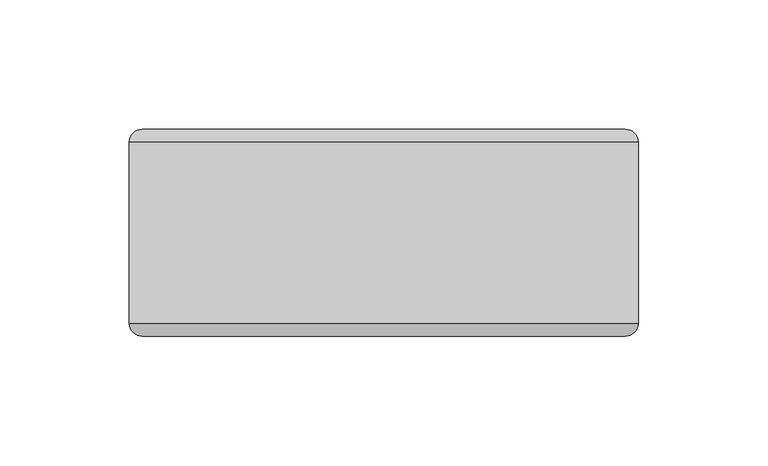
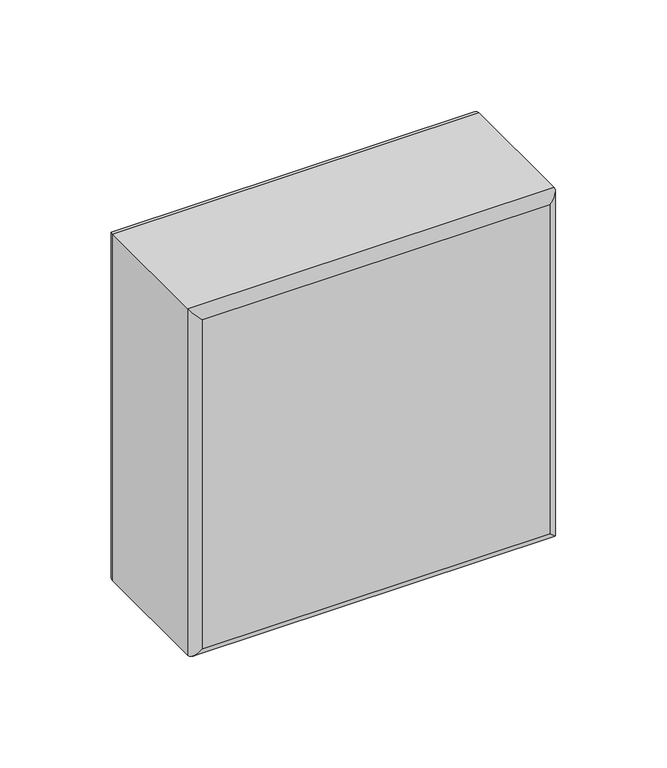
"""IFC4 building model written with IfcOpenShell, lengths in millimetres: plate geometry."""

from ifc_helpers import new_model, si_unit, frame, origin, place, context, project, spatial, ellipse_curve, source, transform, mapped, element, save
from ifc_brep_helpers import plane_surface, cylinder_surface, advanced_brep


def plate_b3e9bec1(model_context):
    return source(origin(), model_context, "Body", "AdvancedBrep", [
        advanced_brep(
        [(-98.4250002, -35.0, 197.0), (98.5749998, -35.0, 197.0), (98.5749998, 35.0, 197.0), (-98.4250002, 35.0, 197.0), (98.5749998, -35.0, 0.0), (-98.4250002, -35.0, 0.0), (-98.4250002, 35.0, 0.0), (98.5749998, 35.0, 0.0), (-93.4250002, -40.0, 5.0), (93.5749998, -40.0, 5.0), (93.5749998, -40.0, 192.0), (-93.4250002, -40.0, 192.0), (93.5749998, 40.0, 5.0), (-93.4250002, 40.0, 5.0), (-93.4250002, 40.0, 192.0), (93.5749998, 40.0, 192.0)],
        [
            (0, 1),
            (1, 2),
            (2, 3),
            (3, 0),
            (4, 5),
            (5, 6),
            (6, 7),
            (7, 4),
            (8, 9),
            (9, 10),
            (10, 11),
            (11, 8),
            (1, 4),
            (7, 2),
            (12, 13),
            (13, 14),
            (14, 15),
            (15, 12),
            (5, 0),
            (3, 6),
            (4, 9, ellipse_curve(frame((93.5749998, -35.0, 5.0), z_axis=(-0.7071067811865475, 0.0, -0.7071067811865475), x_axis=(0.7071067811865476, 0.0, -0.7071067811865474)), 7.0710678, 5.0)),
            (8, 5, ellipse_curve(frame((-93.4250002, -35.0, 5.0), z_axis=(0.7071067811865475, 0.0, -0.7071067811865475), x_axis=(0.7071067811865476, 0.0, 0.7071067811865474)), 7.0710678, 5.0)),
            (1, 10, ellipse_curve(frame((93.5749998, -35.0, 192.0), z_axis=(0.7071067811865475, 0.0, -0.7071067811865475), x_axis=(0.7071067811865474, 0.0, 0.7071067811865476)), 7.0710678, 5.0)),
            (0, 11, ellipse_curve(frame((-93.4250002, -35.0, 192.0), z_axis=(0.7071067811865475, 0.0, 0.7071067811865475), x_axis=(-0.7071067811865476, 0.0, 0.7071067811865474)), 7.0710678, 5.0)),
            (12, 7, ellipse_curve(frame((93.5749998, 35.0, 5.0), z_axis=(-0.7071067811865475, 0.0, -0.7071067811865475), x_axis=(0.7071067811865476, 0.0, -0.7071067811865474)), 7.0710678, 5.0)),
            (6, 13, ellipse_curve(frame((-93.4250002, 35.0, 5.0), z_axis=(0.7071067811865475, 0.0, -0.7071067811865475), x_axis=(0.7071067811865476, 0.0, 0.7071067811865474)), 7.0710678, 5.0)),
            (15, 2, ellipse_curve(frame((93.5749998, 35.0, 192.0), z_axis=(0.7071067811865475, 0.0, -0.7071067811865475), x_axis=(0.7071067811865474, 0.0, 0.7071067811865476)), 7.0710678, 5.0)),
            (14, 3, ellipse_curve(frame((-93.4250002, 35.0, 192.0), z_axis=(0.7071067811865475, 0.0, 0.7071067811865475), x_axis=(-0.7071067811865476, 0.0, 0.7071067811865474)), 7.0710678, 5.0)),
        ],
        [
            plane_surface(frame((-98.4250002, -40.0, 197.0), z_axis=(0.0, 0.0, 1.0), x_axis=(1.0, 0.0, 0.0))),
            plane_surface(frame((-98.4250002, -40.0, 0.0), z_axis=(0.0, 0.0, -1.0), x_axis=(-1.0, 0.0, 0.0))),
            plane_surface(frame((-98.4250002, -40.0, 197.0), z_axis=(0.0, -1.0, 0.0), x_axis=(0.0, 0.0, -1.0))),
            plane_surface(frame((98.5749998, -40.0, 197.0), z_axis=(1.0, 0.0, 0.0), x_axis=(0.0, 0.0, -1.0))),
            plane_surface(frame((98.5749998, 40.0, 197.0), z_axis=(0.0, 1.0, 0.0), x_axis=(0.0, 0.0, -1.0))),
            plane_surface(frame((-98.4250002, 40.0, 197.0), z_axis=(-1.0, 0.0, 0.0), x_axis=(0.0, 0.0, -1.0))),
            cylinder_surface(frame((-98.4250002, -35.0, 5.0), z_axis=(1.0, 0.0, 0.0), x_axis=(0.0, 0.0, -1.0)), 5.0),
            cylinder_surface(frame((93.5749998, -35.0, 0.0), z_axis=(0.0, 0.0, 1.0), x_axis=(1.0, 0.0, 0.0)), 5.0),
            cylinder_surface(frame((98.5749998, -35.0, 192.0), z_axis=(-1.0, 0.0, 0.0), x_axis=(0.0, 0.0, 1.0)), 5.0),
            cylinder_surface(frame((-93.4250002, -35.0, 197.0), z_axis=(0.0, 0.0, -1.0), x_axis=(-1.0, 0.0, 0.0)), 5.0),
            cylinder_surface(frame((-98.4250002, 35.0, 5.0), z_axis=(1.0, 0.0, 0.0), x_axis=(0.0, 0.0, -1.0)), 5.0),
            cylinder_surface(frame((93.5749998, 35.0, 0.0), z_axis=(0.0, 0.0, 1.0), x_axis=(1.0, 0.0, 0.0)), 5.0),
            cylinder_surface(frame((98.5749998, 35.0, 192.0), z_axis=(-1.0, 0.0, 0.0), x_axis=(0.0, 0.0, 1.0)), 5.0),
            cylinder_surface(frame((-93.4250002, 35.0, 197.0), z_axis=(0.0, 0.0, -1.0), x_axis=(-1.0, 0.0, 0.0)), 5.0),
        ],
        [
            (0, [[1, 2, 3, 4]]),
            (1, [[5, 6, 7, 8]]),
            (2, [[9, 10, 11, 12]]),
            (3, [[13, -8, 14, -2]]),
            (4, [[15, 16, 17, 18]]),
            (5, [[19, -4, 20, -6]]),
            (6, [[21, -9, 22, -5]]),
            (7, [[-21, -13, 23, -10]]),
            (8, [[-23, -1, 24, -11]]),
            (9, [[-22, -12, -24, -19]]),
            (10, [[25, -7, 26, -15]]),
            (11, [[-25, -18, 27, -14]]),
            (12, [[-27, -17, 28, -3]]),
            (13, [[-26, -20, -28, -16]]),
        ],
    ),
    ])


if __name__ == "__main__":
    model = new_model("IFC4")
    model_context = context("Model", 3, world=origin())
    ifc_project = project(units=[si_unit("LENGTHUNIT", "METRE", prefix="MILLI")], contexts=[model_context])
    site = spatial("IfcSite", under=ifc_project)
    building = spatial("IfcBuilding", under=site)
    placement = place(None, origin())
    plate_shape = plate_b3e9bec1(model_context)
    element("IfcPlate", 1, at=placement, inside=building, context=model_context, shape_type="MappedRepresentation", body=[
        mapped(plate_shape, transform((0.0, 0.0, 0.0), x_axis=(1.0, 0.0, 0.0), y_axis=(0.0, 1.0, 0.0), z_axis=(0.0, 0.0, 1.0))),
    ])
    save(model, "model.ifc")
